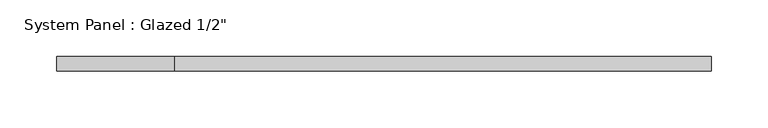
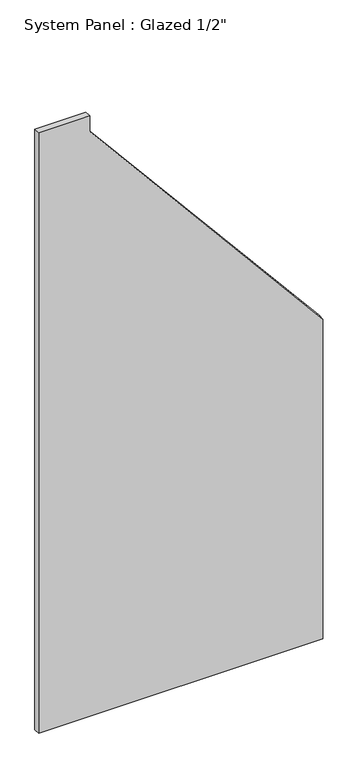
"""IFC4 building model written with IfcOpenShell, lengths in millimetres: plate geometry."""

from ifc_helpers import new_model, si_unit, frame, origin, place, context, project, spatial, polyline, outline, extrude, source, transform, mapped, element, save


def plate_2874b8e9(model_context):
    return source(origin(), model_context, "Body", "SweptSolid", [
        extrude(outline(polyline([(0.0, -288.73739), (0.0, 288.73739), (687.4753752, 288.73739), (1256.794598, -184.964837), (1290.1649297, -184.964837), (1290.1649297, -288.73739), (0.0, -288.73739)])), frame((0.0, -6.35, 0.0), z_axis=(0.0, 1.0, 0.0), x_axis=(0.0, 0.0, 1.0)), (0.0, 0.0, 1.0), 12.7),
    ])


if __name__ == "__main__":
    model = new_model("IFC4")
    model_context = context("Model", 3, world=origin())
    ifc_project = project(units=[si_unit("LENGTHUNIT", "METRE", prefix="MILLI")], contexts=[model_context])
    site = spatial("IfcSite", under=ifc_project)
    building = spatial("IfcBuilding", under=site)
    placement = place(None, origin())
    plate_shape = plate_2874b8e9(model_context)
    element("IfcPlate", 1, ObjectType="System Panel : Glazed 1/2\"", at=placement, inside=building, context=model_context, shape_type="MappedRepresentation", body=[
        mapped(plate_shape, transform((0.0, 0.0, 0.0), x_axis=(1.0, 0.0, 0.0), y_axis=(0.0, 1.0, 0.0), z_axis=(0.0, 0.0, 1.0))),
    ])
    save(model, "model.ifc")
